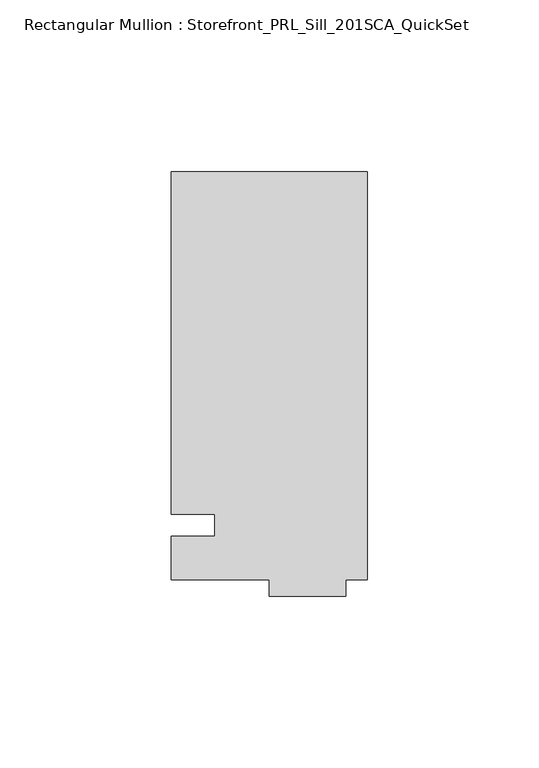
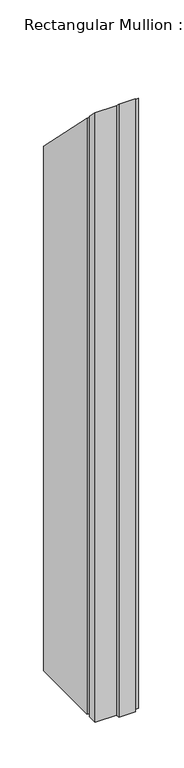
"""IFC4 building model written with IfcOpenShell, lengths in millimetres: member geometry, Rectangular Mullion : Storefront_PRL_Sill_201SCA_QuickSet."""

import ifcopenshell
import ifcopenshell.guid

model = None  # the IFC model being written
_history = None  # IfcOwnerHistory: only IFC2X3 demands one
_inside = {}  # id of a spatial element -> (the spatial element, [elements in it])
_under = {}  # id of a project, library or spatial element -> (it, [spatial elements below it])
_declared = {}  # id of a project -> (the project, [libraries it declares])
_typed = {}  # id of a type object -> (the type object, [elements of that type])
_made_of = {}  # id of a material, layer set ... -> (it, [elements and type objects made of it])


def new_model(schema):
    """Start an empty IFC model of exactly this schema.

    Asked for "IFC4X3", IfcOpenShell would pick the latest addendum, in which some entities
    have other attributes; the version numbers below select the first issue.
    IFC2X3 requires an IfcOwnerHistory on every rooted entity: one is made here for all.
    """
    global model, _history
    if schema == "IFC4X3":
        model = ifcopenshell.file(schema_version=(4, 3, 0, 0))
    else:
        model = ifcopenshell.file(schema=schema)
    _inside.clear()
    _under.clear()
    _declared.clear()
    _typed.clear()
    _made_of.clear()
    _history = None
    if model.schema == "IFC2X3":
        org = make("IfcOrganization", Name="unknown")
        user = make(
            "IfcPersonAndOrganization",
            ThePerson=make("IfcPerson", FamilyName="unknown"),
            TheOrganization=org,
        )
        app = make(
            "IfcApplication",
            ApplicationDeveloper=org,
            Version="unknown",
            ApplicationFullName="unknown",
            ApplicationIdentifier="unknown",
        )
        _history = make(
            "IfcOwnerHistory",
            OwningUser=user,
            OwningApplication=app,
            ChangeAction="ADDED",
            CreationDate=0,
        )
    return model


def make(cls, **values):
    """One entity of the class cls with the attributes given. An attribute that is None is left unset."""
    return model.create_entity(
        cls, **{name: value for name, value in values.items() if value is not None}
    )


def rooted(cls, **values):
    """An entity with a GlobalId (a new one), such as an element, a storey or a relation."""
    return make(cls, GlobalId=ifcopenshell.guid.new(), OwnerHistory=_history, **values)


def si_unit(unit_type, name, prefix=None):
    """IfcSIUnit, for example si_unit("LENGTHUNIT", "METRE", prefix="MILLI")."""
    return make("IfcSIUnit", UnitType=unit_type, Prefix=prefix, Name=name)


def assignment(units):
    """IfcUnitAssignment: the units of a project."""
    return None if units is None else make("IfcUnitAssignment", Units=units)


def point(xyz):
    """IfcCartesianPoint."""
    return None if xyz is None else make("IfcCartesianPoint", Coordinates=xyz)


def direction(xyz):
    """IfcDirection."""
    return None if xyz is None else make("IfcDirection", DirectionRatios=xyz)


def frame(location, z_axis=None, x_axis=None):
    """IfcAxis2Placement3D, a coordinate frame: its origin and axes. An axis left out is left unset."""
    return make(
        "IfcAxis2Placement3D",
        Location=point(location),
        Axis=direction(z_axis),
        RefDirection=direction(x_axis),
    )


def origin():
    """The frame at (0, 0, 0) with its axes left unset."""
    return frame((0.0, 0.0, 0.0))


def place(relative_to, where):
    """IfcLocalPlacement: puts the frame where relative to a parent placement (None: the world)."""
    return make(
        "IfcLocalPlacement", PlacementRelTo=relative_to, RelativePlacement=where
    )


def context(
    kind, dimensions, precision=None, world=None, true_north=None, identifier=None
):
    """IfcGeometricRepresentationContext, for example the 3D "Model" context."""
    return make(
        "IfcGeometricRepresentationContext",
        ContextIdentifier=identifier,
        ContextType=kind,
        CoordinateSpaceDimension=dimensions,
        Precision=precision,
        WorldCoordinateSystem=world,
        TrueNorth=true_north,
    )


def project(units=None, contexts=None):
    """IfcProject with its units and contexts."""
    return rooted(
        "IfcProject",
        Name="project",
        RepresentationContexts=contexts,
        UnitsInContext=assignment(units),
    )


def spatial(cls, under=None, at=None, **own):
    """A site, building, storey or space (cls), placed at a placement, below another one or the project."""
    s = rooted(cls, ObjectPlacement=at, **own)
    if under is not None:
        _under.setdefault(under.id(), (under, []))[1].append(s)
    return s


def faces_of(points, faces, orient=None, outer=None):
    """IfcFace entities. A face is a list of loops; a loop is a list of indices into points, from 0.

    orient and outer hold one flag for each loop. By default every Orientation is true, the
    first loop of a face is its IfcFaceOuterBound and the others are IfcFaceBound.
    """
    made = []
    for i, loops in enumerate(faces):
        bounds = []
        for j, loop in enumerate(loops):
            is_outer = j == 0 if outer is None else outer[i][j]
            bounds.append(
                make(
                    "IfcFaceOuterBound" if is_outer else "IfcFaceBound",
                    Bound=make("IfcPolyLoop", Polygon=[points[k] for k in loop]),
                    Orientation=True if orient is None else orient[i][j],
                )
            )
        made.append(make("IfcFace", Bounds=bounds))
    return made


def faceted_brep(points, faces, orient=None, outer=None, voids=None):
    """IfcFacetedBrep: a solid bounded by flat faces; with voids (closed shells), ...WithVoids."""
    shared = [point(p) for p in points]
    hull = make("IfcClosedShell", CfsFaces=faces_of(shared, faces, orient, outer))
    if voids is None:
        return make("IfcFacetedBrep", Outer=hull)
    return make(
        "IfcFacetedBrepWithVoids",
        Outer=hull,
        Voids=[
            make(cls, CfsFaces=faces_of(shared, fs, o, b)) for cls, fs, o, b in voids
        ],
    )


def shape(context_of_items, identifier, shape_type, items):
    """IfcShapeRepresentation: the items that make up one representation, for example the "Body"."""
    return make(
        "IfcShapeRepresentation",
        ContextOfItems=context_of_items,
        RepresentationIdentifier=identifier,
        RepresentationType=shape_type,
        Items=items,
    )


def source(mapping_origin, context_of_items, identifier, shape_type, items):
    """IfcRepresentationMap: a shape defined once, which mapped items show again and again."""
    return make(
        "IfcRepresentationMap",
        MappingOrigin=mapping_origin,
        MappedRepresentation=shape(context_of_items, identifier, shape_type, items),
    )


def transform(
    local_origin,
    x_axis=None,
    y_axis=None,
    z_axis=None,
    scale=None,
    scale2=None,
    scale3=None,
    uniform=True,
):
    """IfcCartesianTransformationOperator3D, or its non-uniform kind. x_axis, y_axis, z_axis: its Axis1, 2, 3."""
    if uniform:
        return make(
            "IfcCartesianTransformationOperator3D",
            Axis1=direction(x_axis),
            Axis2=direction(y_axis),
            LocalOrigin=point(local_origin),
            Scale=scale,
            Axis3=direction(z_axis),
        )
    return make(
        "IfcCartesianTransformationOperator3DnonUniform",
        Axis1=direction(x_axis),
        Axis2=direction(y_axis),
        LocalOrigin=point(local_origin),
        Scale=scale,
        Axis3=direction(z_axis),
        Scale2=scale2,
        Scale3=scale3,
    )


def mapped(mapping_source, mapping_target):
    """IfcMappedItem: shows the shape of a source again, moved by a transform."""
    return make(
        "IfcMappedItem", MappingSource=mapping_source, MappingTarget=mapping_target
    )


def made_of(thing, what):
    """Note that an element or type object is made of a material, layer set ...; save() writes the relation."""
    if what is not None:
        _made_of.setdefault(what.id(), (what, []))[1].append(thing)
    return thing


def element(
    cls,
    number,
    at=None,
    inside=None,
    cuts=None,
    type_object=None,
    material=None,
    context=None,
    identifier="Body",
    shape_type=None,
    held_by="IfcProductDefinitionShape",
    body=None,
    shapes=None,
    **own,
):
    """One element of the class cls, such as IfcWall. Its Tag is "e" and its number.

    at: its placement. inside: the storey or other place that contains it. cuts: it is an
    opening in that element (IfcRelVoidsElement). A single representation is given by context,
    identifier, shape_type and body (its items); several are given by shapes. held_by: the class
    of the entity that holds the representations. save() writes the other relations.
    """
    e = rooted(cls, Tag="e%d" % number, ObjectPlacement=at, **own)
    if body is not None:
        shapes = [shape(context, identifier, shape_type, body)]
    if shapes is not None:
        e.Representation = make(held_by, Representations=shapes)
    if inside is not None:
        _inside.setdefault(inside.id(), (inside, []))[1].append(e)
    if cuts is not None:
        rooted(
            "IfcRelVoidsElement", RelatingBuildingElement=cuts, RelatedOpeningElement=e
        )
    if type_object is not None:
        _typed.setdefault(type_object.id(), (type_object, []))[1].append(e)
    return made_of(e, material)


def aggregate(whole, parts):
    """IfcRelAggregates: a whole, such as a stair, and the parts it consists of."""
    return rooted("IfcRelAggregates", RelatingObject=whole, RelatedObjects=parts)


def save(model, path):
    """Write the relations noted so far, then the file.

    IfcRelAggregates (storeys below a building ...), IfcRelContainedInSpatialStructure (elements
    in a storey), IfcRelDefinesByType, IfcRelAssociatesMaterial and IfcRelDeclares: one each for
    every whole, place, type object, material and project.
    """
    for whole, parts in _under.values():
        aggregate(whole, parts)
    for where, things in _inside.values():
        rooted(
            "IfcRelContainedInSpatialStructure",
            RelatedElements=things,
            RelatingStructure=where,
        )
    for kind, things in _typed.values():
        rooted("IfcRelDefinesByType", RelatedObjects=things, RelatingType=kind)
    for what, things in _made_of.values():
        rooted("IfcRelAssociatesMaterial", RelatedObjects=things, RelatingMaterial=what)
    for by, libraries in _declared.values():
        rooted("IfcRelDeclares", RelatingContext=by, RelatedDefinitions=libraries)
    model.write(path)


def rectangular_mullion_storefront_prl_sill_201sca_quickset_b18f22d5(model_context):
    return source(origin(), model_context, "Body", "Brep", [
        faceted_brep([(-44.45, 3.175, -838.2), (-57.15, 3.175, -838.2), (-57.15, 103.1875, -838.2), (-6.35, 103.1875, -838.2), (0.0, 103.1875, -838.2), (0.0, -15.875, -838.2), (-6.35, -15.875, -838.2), (-6.35, -20.6375, -838.2), (-28.575, -20.6375, -838.2), (-28.575, -15.875, -838.2), (-57.15, -15.875, -838.2), (-57.15, -3.175, -838.2), (-44.45, -3.175, -838.2), (-44.45, -3.175, 3.175), (-44.45, 3.175, -3.175), (-57.15, -3.175, 3.175), (-57.15, -15.875, 15.875), (-28.575, -15.875, 15.875), (-28.575, -20.6375, 20.6375), (-6.35, -20.6375, 20.6375), (-6.35, -15.875, 15.875), (0.0, -15.875, 15.875), (0.0, 103.1875, -103.1875), (-6.35, 103.1875, -103.1875), (-57.15, 103.1875, -103.1875), (-57.15, 3.175, -3.175)], [[[0, 1, 2, 3, 4, 5, 6, 7, 8, 9, 10, 11, 12]], [[13, 14, 0, 12]], [[15, 13, 12, 11]], [[16, 15, 11, 10]], [[17, 16, 10, 9]], [[18, 17, 9, 8]], [[19, 18, 8, 7]], [[20, 19, 7, 6]], [[21, 20, 6, 5]], [[22, 21, 5, 4]], [[23, 22, 4, 3]], [[24, 23, 3, 2]], [[25, 24, 2, 1]], [[14, 25, 1, 0]], [[14, 13, 15, 16, 17, 18, 19, 20, 21, 22, 23, 24, 25]]]),
    ])


if __name__ == "__main__":
    model = new_model("IFC4")
    model_context = context("Model", 3, world=origin())
    ifc_project = project(units=[si_unit("LENGTHUNIT", "METRE", prefix="MILLI")], contexts=[model_context])
    site = spatial("IfcSite", under=ifc_project)
    building = spatial("IfcBuilding", under=site)
    placement = place(None, origin())
    rectangular_mullion_storefront_prl_sill_201sca_quickset_shape = rectangular_mullion_storefront_prl_sill_201sca_quickset_b18f22d5(model_context)
    element("IfcMember", 1, ObjectType="Rectangular Mullion : Storefront_PRL_Sill_201SCA_QuickSet", at=placement, inside=building, context=model_context, shape_type="MappedRepresentation", body=[
        mapped(rectangular_mullion_storefront_prl_sill_201sca_quickset_shape, transform((0.0, 0.0, 0.0), x_axis=(1.0, 0.0, 0.0), y_axis=(0.0, 1.0, 0.0), z_axis=(0.0, 0.0, 1.0))),
    ])
    save(model, "model.ifc")
